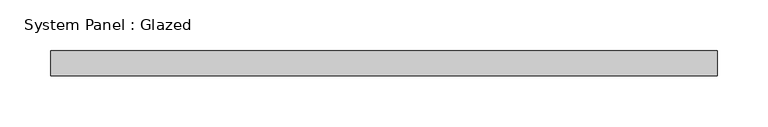
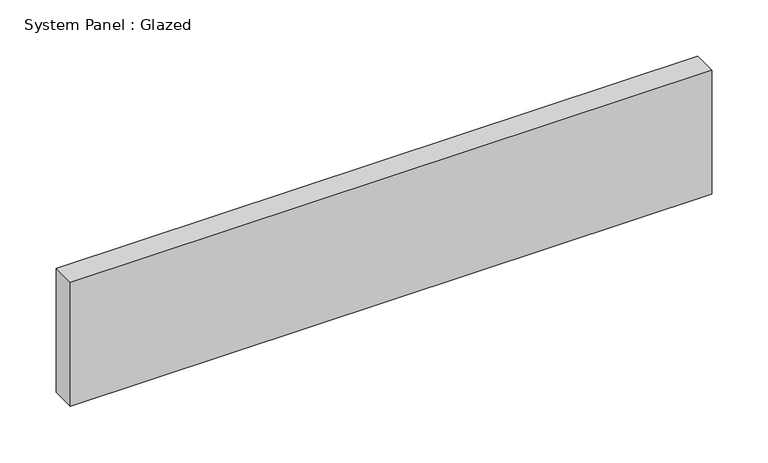
"""IFC4 building model written with IfcOpenShell, lengths in millimetres: plate geometry, System Panel : Glazed."""

import ifcopenshell
import ifcopenshell.guid

model = None  # the IFC model being written
_history = None  # IfcOwnerHistory: only IFC2X3 demands one
_inside = {}  # id of a spatial element -> (the spatial element, [elements in it])
_under = {}  # id of a project, library or spatial element -> (it, [spatial elements below it])
_declared = {}  # id of a project -> (the project, [libraries it declares])
_typed = {}  # id of a type object -> (the type object, [elements of that type])
_made_of = {}  # id of a material, layer set ... -> (it, [elements and type objects made of it])


def new_model(schema):
    """Start an empty IFC model of exactly this schema.

    Asked for "IFC4X3", IfcOpenShell would pick the latest addendum, in which some entities
    have other attributes; the version numbers below select the first issue.
    IFC2X3 requires an IfcOwnerHistory on every rooted entity: one is made here for all.
    """
    global model, _history
    if schema == "IFC4X3":
        model = ifcopenshell.file(schema_version=(4, 3, 0, 0))
    else:
        model = ifcopenshell.file(schema=schema)
    _inside.clear()
    _under.clear()
    _declared.clear()
    _typed.clear()
    _made_of.clear()
    _history = None
    if model.schema == "IFC2X3":
        org = make("IfcOrganization", Name="unknown")
        user = make(
            "IfcPersonAndOrganization",
            ThePerson=make("IfcPerson", FamilyName="unknown"),
            TheOrganization=org,
        )
        app = make(
            "IfcApplication",
            ApplicationDeveloper=org,
            Version="unknown",
            ApplicationFullName="unknown",
            ApplicationIdentifier="unknown",
        )
        _history = make(
            "IfcOwnerHistory",
            OwningUser=user,
            OwningApplication=app,
            ChangeAction="ADDED",
            CreationDate=0,
        )
    return model


def make(cls, **values):
    """One entity of the class cls with the attributes given. An attribute that is None is left unset."""
    return model.create_entity(
        cls, **{name: value for name, value in values.items() if value is not None}
    )


def rooted(cls, **values):
    """An entity with a GlobalId (a new one), such as an element, a storey or a relation."""
    return make(cls, GlobalId=ifcopenshell.guid.new(), OwnerHistory=_history, **values)


def si_unit(unit_type, name, prefix=None):
    """IfcSIUnit, for example si_unit("LENGTHUNIT", "METRE", prefix="MILLI")."""
    return make("IfcSIUnit", UnitType=unit_type, Prefix=prefix, Name=name)


def assignment(units):
    """IfcUnitAssignment: the units of a project."""
    return None if units is None else make("IfcUnitAssignment", Units=units)


def point(xyz):
    """IfcCartesianPoint."""
    return None if xyz is None else make("IfcCartesianPoint", Coordinates=xyz)


def direction(xyz):
    """IfcDirection."""
    return None if xyz is None else make("IfcDirection", DirectionRatios=xyz)


def frame(location, z_axis=None, x_axis=None):
    """IfcAxis2Placement3D, a coordinate frame: its origin and axes. An axis left out is left unset."""
    return make(
        "IfcAxis2Placement3D",
        Location=point(location),
        Axis=direction(z_axis),
        RefDirection=direction(x_axis),
    )


def origin():
    """The frame at (0, 0, 0) with its axes left unset."""
    return frame((0.0, 0.0, 0.0))


def origin_with_axes():
    """The frame at (0, 0, 0) with the z axis (0, 0, 1) and the x axis (1, 0, 0) written out."""
    return frame((0.0, 0.0, 0.0), z_axis=(0.0, 0.0, 1.0), x_axis=(1.0, 0.0, 0.0))


def place(relative_to, where):
    """IfcLocalPlacement: puts the frame where relative to a parent placement (None: the world)."""
    return make(
        "IfcLocalPlacement", PlacementRelTo=relative_to, RelativePlacement=where
    )


def context(
    kind, dimensions, precision=None, world=None, true_north=None, identifier=None
):
    """IfcGeometricRepresentationContext, for example the 3D "Model" context."""
    return make(
        "IfcGeometricRepresentationContext",
        ContextIdentifier=identifier,
        ContextType=kind,
        CoordinateSpaceDimension=dimensions,
        Precision=precision,
        WorldCoordinateSystem=world,
        TrueNorth=true_north,
    )


def project(units=None, contexts=None):
    """IfcProject with its units and contexts."""
    return rooted(
        "IfcProject",
        Name="project",
        RepresentationContexts=contexts,
        UnitsInContext=assignment(units),
    )


def spatial(cls, under=None, at=None, **own):
    """A site, building, storey or space (cls), placed at a placement, below another one or the project."""
    s = rooted(cls, ObjectPlacement=at, **own)
    if under is not None:
        _under.setdefault(under.id(), (under, []))[1].append(s)
    return s


def polyline(points):
    """IfcPolyline through the points."""
    return make("IfcPolyline", Points=[point(p) for p in points])


def outline(outer, holes=None, kind="AREA"):
    """IfcArbitraryClosedProfileDef: a profile drawn as a closed curve; with holes, ...WithVoids."""
    if holes is None:
        return make("IfcArbitraryClosedProfileDef", ProfileType=kind, OuterCurve=outer)
    return make(
        "IfcArbitraryProfileDefWithVoids",
        ProfileType=kind,
        OuterCurve=outer,
        InnerCurves=holes,
    )


def extrude(swept, where, along, depth):
    """IfcExtrudedAreaSolid: the profile swept, set in the frame where, extruded along a direction by depth."""
    return make(
        "IfcExtrudedAreaSolid",
        SweptArea=swept,
        Position=where,
        ExtrudedDirection=direction(along),
        Depth=depth,
    )


def shape(context_of_items, identifier, shape_type, items):
    """IfcShapeRepresentation: the items that make up one representation, for example the "Body"."""
    return make(
        "IfcShapeRepresentation",
        ContextOfItems=context_of_items,
        RepresentationIdentifier=identifier,
        RepresentationType=shape_type,
        Items=items,
    )


def source(mapping_origin, context_of_items, identifier, shape_type, items):
    """IfcRepresentationMap: a shape defined once, which mapped items show again and again."""
    return make(
        "IfcRepresentationMap",
        MappingOrigin=mapping_origin,
        MappedRepresentation=shape(context_of_items, identifier, shape_type, items),
    )


def transform(
    local_origin,
    x_axis=None,
    y_axis=None,
    z_axis=None,
    scale=None,
    scale2=None,
    scale3=None,
    uniform=True,
):
    """IfcCartesianTransformationOperator3D, or its non-uniform kind. x_axis, y_axis, z_axis: its Axis1, 2, 3."""
    if uniform:
        return make(
            "IfcCartesianTransformationOperator3D",
            Axis1=direction(x_axis),
            Axis2=direction(y_axis),
            LocalOrigin=point(local_origin),
            Scale=scale,
            Axis3=direction(z_axis),
        )
    return make(
        "IfcCartesianTransformationOperator3DnonUniform",
        Axis1=direction(x_axis),
        Axis2=direction(y_axis),
        LocalOrigin=point(local_origin),
        Scale=scale,
        Axis3=direction(z_axis),
        Scale2=scale2,
        Scale3=scale3,
    )


def mapped(mapping_source, mapping_target):
    """IfcMappedItem: shows the shape of a source again, moved by a transform."""
    return make(
        "IfcMappedItem", MappingSource=mapping_source, MappingTarget=mapping_target
    )


def made_of(thing, what):
    """Note that an element or type object is made of a material, layer set ...; save() writes the relation."""
    if what is not None:
        _made_of.setdefault(what.id(), (what, []))[1].append(thing)
    return thing


def element(
    cls,
    number,
    at=None,
    inside=None,
    cuts=None,
    type_object=None,
    material=None,
    context=None,
    identifier="Body",
    shape_type=None,
    held_by="IfcProductDefinitionShape",
    body=None,
    shapes=None,
    **own,
):
    """One element of the class cls, such as IfcWall. Its Tag is "e" and its number.

    at: its placement. inside: the storey or other place that contains it. cuts: it is an
    opening in that element (IfcRelVoidsElement). A single representation is given by context,
    identifier, shape_type and body (its items); several are given by shapes. held_by: the class
    of the entity that holds the representations. save() writes the other relations.
    """
    e = rooted(cls, Tag="e%d" % number, ObjectPlacement=at, **own)
    if body is not None:
        shapes = [shape(context, identifier, shape_type, body)]
    if shapes is not None:
        e.Representation = make(held_by, Representations=shapes)
    if inside is not None:
        _inside.setdefault(inside.id(), (inside, []))[1].append(e)
    if cuts is not None:
        rooted(
            "IfcRelVoidsElement", RelatingBuildingElement=cuts, RelatedOpeningElement=e
        )
    if type_object is not None:
        _typed.setdefault(type_object.id(), (type_object, []))[1].append(e)
    return made_of(e, material)


def aggregate(whole, parts):
    """IfcRelAggregates: a whole, such as a stair, and the parts it consists of."""
    return rooted("IfcRelAggregates", RelatingObject=whole, RelatedObjects=parts)


def save(model, path):
    """Write the relations noted so far, then the file.

    IfcRelAggregates (storeys below a building ...), IfcRelContainedInSpatialStructure (elements
    in a storey), IfcRelDefinesByType, IfcRelAssociatesMaterial and IfcRelDeclares: one each for
    every whole, place, type object, material and project.
    """
    for whole, parts in _under.values():
        aggregate(whole, parts)
    for where, things in _inside.values():
        rooted(
            "IfcRelContainedInSpatialStructure",
            RelatedElements=things,
            RelatingStructure=where,
        )
    for kind, things in _typed.values():
        rooted("IfcRelDefinesByType", RelatedObjects=things, RelatingType=kind)
    for what, things in _made_of.values():
        rooted("IfcRelAssociatesMaterial", RelatedObjects=things, RelatingMaterial=what)
    for by, libraries in _declared.values():
        rooted("IfcRelDeclares", RelatingContext=by, RelatedDefinitions=libraries)
    model.write(path)


def system_panel_glazed_9cf332da(model_context):
    return source(origin(), model_context, "Body", "SweptSolid", [
        extrude(outline(polyline([(329.5, -49.5), (-329.5, -49.5), (-329.5, -24.5), (329.5, -24.5), (329.5, -49.5)])), origin_with_axes(), (0.0, 0.0, 1.0), 135.0),
    ])


if __name__ == "__main__":
    model = new_model("IFC4")
    model_context = context("Model", 3, world=origin())
    ifc_project = project(units=[si_unit("LENGTHUNIT", "METRE", prefix="MILLI")], contexts=[model_context])
    site = spatial("IfcSite", under=ifc_project)
    building = spatial("IfcBuilding", under=site)
    placement = place(None, origin())
    system_panel_glazed_shape = system_panel_glazed_9cf332da(model_context)
    element("IfcPlate", 1, ObjectType="System Panel : Glazed", at=placement, inside=building, context=model_context, shape_type="MappedRepresentation", body=[
        mapped(system_panel_glazed_shape, transform((0.0, 0.0, 0.0), x_axis=(1.0, 0.0, 0.0), y_axis=(0.0, 1.0, 0.0), z_axis=(0.0, 0.0, 1.0))),
    ])
    save(model, "model.ifc")
